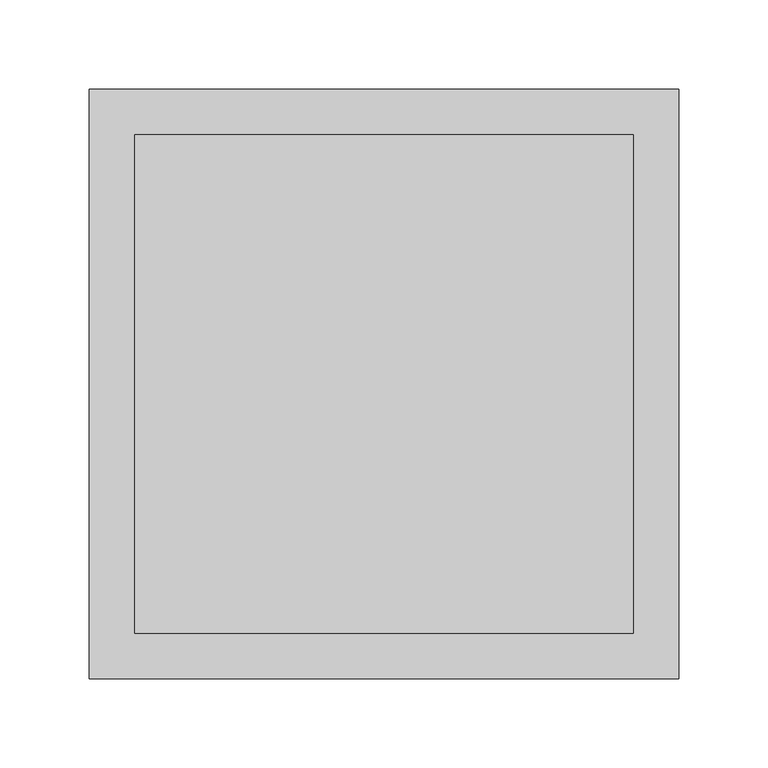
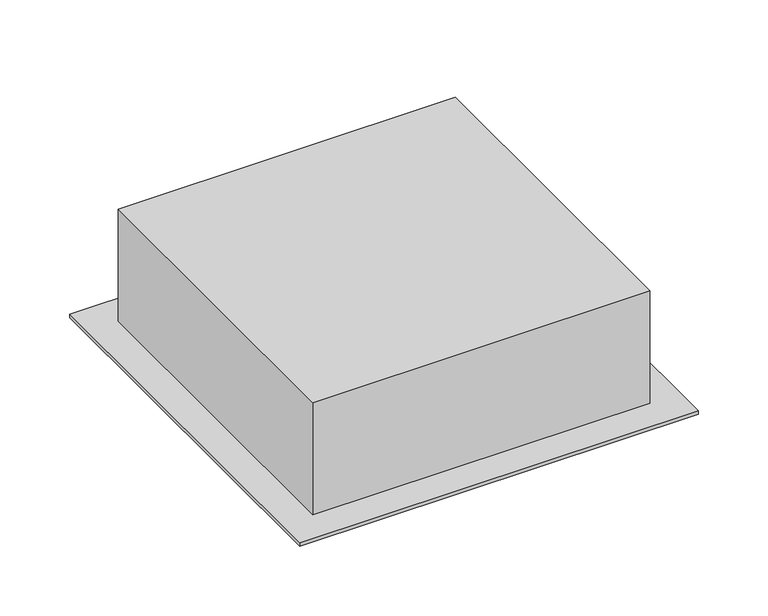
"""IFC4 building model written with IfcOpenShell, lengths in millimetres: proxy geometry."""

from ifc_helpers import new_model, si_unit, frame, origin, place, context, project, spatial, polyline, outline, extrude, source, transform, mapped, element, save


def specialty_equipment_90ac266c(model_context):
    return source(origin(), model_context, "Body", "SweptSolid", [
        extrude(outline(polyline([(139.7, -139.7), (-139.7, -139.7), (-139.7, 139.7), (139.7, 139.7), (139.7, -139.7)])), frame((0.0, 0.0, 2746.375), z_axis=(0.0, 0.0, 1.0), x_axis=(1.0, 0.0, 0.0)), (0.0, 0.0, 1.0), 98.425),
        extrude(outline(polyline([(165.1, -165.1), (-165.1, -165.1), (-165.1, 165.1), (165.1, 165.1), (165.1, -165.1)])), frame((0.0, 0.0, 2743.2), z_axis=(0.0, 0.0, 1.0), x_axis=(1.0, 0.0, 0.0)), (0.0, 0.0, 1.0), 3.175),
    ])


if __name__ == "__main__":
    model = new_model("IFC4")
    model_context = context("Model", 3, world=origin())
    ifc_project = project(units=[si_unit("LENGTHUNIT", "METRE", prefix="MILLI")], contexts=[model_context])
    site = spatial("IfcSite", under=ifc_project)
    building = spatial("IfcBuilding", under=site)
    placement = place(None, origin())
    specialty_equipment_shape = specialty_equipment_90ac266c(model_context)
    element("IfcBuildingElementProxy", 1, Name="Specialty Equipment", at=placement, inside=building, context=model_context, shape_type="MappedRepresentation", body=[
        mapped(specialty_equipment_shape, transform((0.0, 0.0, 0.0), x_axis=(1.0, 0.0, 0.0), y_axis=(0.0, 1.0, 0.0), z_axis=(0.0, 0.0, 1.0))),
    ])
    save(model, "model.ifc")
